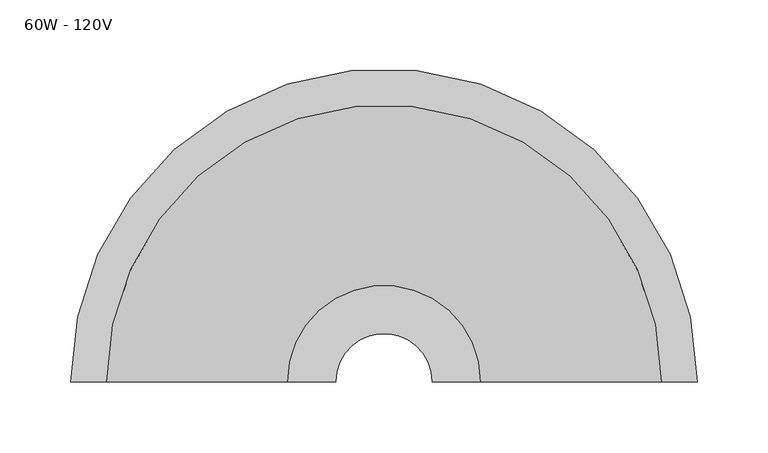
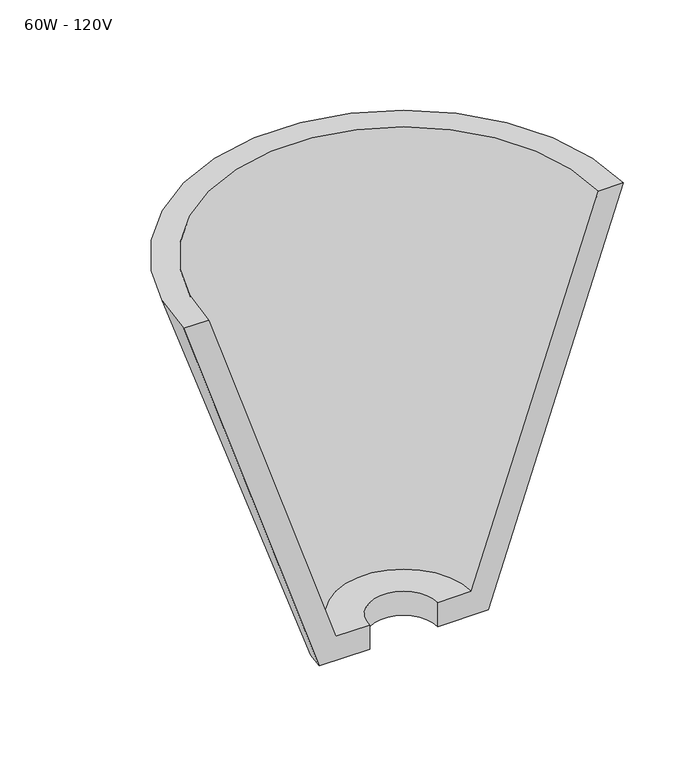
"""IFC4 building model written with IfcOpenShell, lengths in millimetres: light fixture geometry, 60W - 120V."""

from ifc_helpers import new_model, si_unit, frame, origin, place, context, project, spatial, polyline, circle_curve, source, transform, mapped, element, save
from ifc_brep_helpers import plane_surface, revolved_surface, advanced_brep


def light_fixture_60w_120v_eb27f4a7(model_context):
    return source(origin(), model_context, "Body", "AdvancedBrep", [
        advanced_brep(
        [(-221.2056669, 185.0, 2103.2), (-85.0253975, 185.0, 1696.8), (-34.2253975, 185.0, 1696.8), (-34.2253975, 185.0, 1722.2), (-68.1366644, 185.0, 1722.2), (-195.8056669, 185.0, 2103.2), (221.2056669, 185.0, 2103.2), (195.8056669, 185.0, 2103.2), (68.1366644, 185.0, 1722.2), (34.2253975, 185.0, 1722.2), (34.2253975, 185.0, 1696.8), (85.0253975, 185.0, 1696.8)],
        [
            (0, 1),
            (1, 2),
            (2, 3),
            (3, 4),
            (4, 5),
            (5, 0),
            (6, 7),
            (7, 8),
            (8, 9),
            (9, 10),
            (10, 11),
            (11, 6),
            (11, 1, circle_curve(frame((0.0, 185.0, 1696.8), z_axis=(0.0, 0.0, 1.0), x_axis=(-1.0, 0.0, 0.0)), 85.0253975)),
            (0, 6, circle_curve(frame((0.0, 185.0, 2103.2), z_axis=(0.0, 0.0, -1.0), x_axis=(-1.0, 0.0, 0.0)), 221.2056669)),
            (10, 2, circle_curve(frame((0.0, 185.0, 1696.8), z_axis=(0.0, 0.0, 1.0), x_axis=(-1.0, 0.0, 0.0)), 34.2253975)),
            (9, 3, circle_curve(frame((0.0, 185.0, 1722.2), z_axis=(0.0, 0.0, 1.0), x_axis=(-1.0, 0.0, 0.0)), 34.2253975)),
            (8, 4, circle_curve(frame((0.0, 185.0, 1722.2), z_axis=(0.0, 0.0, 1.0), x_axis=(-1.0, 0.0, 0.0)), 68.1366644)),
            (7, 5, circle_curve(frame((0.0, 185.0, 2103.2), z_axis=(0.0, 0.0, 1.0), x_axis=(-1.0, 0.0, 0.0)), 195.8056669)),
        ],
        [
            plane_surface(frame((0.0, 185.0, 1936.774367), z_axis=(0.0, -1.0, 0.0), x_axis=(-1.0, 0.0, 0.0))),
            plane_surface(frame((0.0, 185.0, 1936.774367), z_axis=(0.0, -1.0, 0.0), x_axis=(1.0, 0.0, 0.0))),
            revolved_surface(polyline([(-221.2056669, 185.0, 2103.2), (-85.0253975, 185.0, 1696.8)]), (0.0, 185.0, 1936.774367), (0.0, 0.0, -1.0)),
            plane_surface(frame((0.0, 185.0, 1696.8), z_axis=(0.0, 0.0, -1.0), x_axis=(-1.0, 0.0, 0.0))),
            revolved_surface(polyline([(-34.2253975, 185.0, 1696.8), (-34.2253975, 185.0, 1722.2)]), (0.0, 185.0, 1936.774367), (0.0, 0.0, -1.0)),
            plane_surface(frame((0.0, 185.0, 1722.2), z_axis=(0.0, 0.0, 1.0), x_axis=(-1.0, 0.0, 0.0))),
            revolved_surface(polyline([(-68.1366644, 185.0, 1722.2), (-195.8056669, 185.0, 2103.2)]), (0.0, 185.0, 1936.774367), (0.0, 0.0, -1.0)),
            plane_surface(frame((0.0, 185.0, 2103.2), z_axis=(0.0, 0.0, 1.0), x_axis=(-1.0, 0.0, 0.0))),
        ],
        [
            (0, [[1, 2, 3, 4, 5, 6]]),
            (1, [[7, 8, 9, 10, 11, 12]]),
            (2, [[13, -1, 14, -12]]),
            (3, [[15, -2, -13, -11]]),
            (4, [[16, -3, -15, -10]]),
            (5, [[17, -4, -16, -9]]),
            (6, [[18, -5, -17, -8]]),
            (7, [[-14, -6, -18, -7]]),
        ],
    ),
    ])


if __name__ == "__main__":
    model = new_model("IFC4")
    model_context = context("Model", 3, world=origin())
    ifc_project = project(units=[si_unit("LENGTHUNIT", "METRE", prefix="MILLI")], contexts=[model_context])
    site = spatial("IfcSite", under=ifc_project)
    building = spatial("IfcBuilding", under=site)
    placement = place(None, origin())
    light_fixture_60w_120v_shape = light_fixture_60w_120v_eb27f4a7(model_context)
    element("IfcLightFixture", 1, ObjectType="60W - 120V", at=placement, inside=building, context=model_context, shape_type="MappedRepresentation", body=[
        mapped(light_fixture_60w_120v_shape, transform((0.0, 0.0, 0.0), x_axis=(1.0, 0.0, 0.0), y_axis=(0.0, 1.0, 0.0), z_axis=(0.0, 0.0, 1.0))),
    ])
    save(model, "model.ifc")
